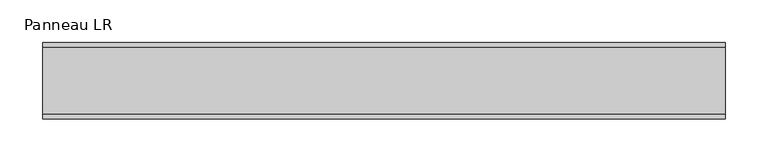
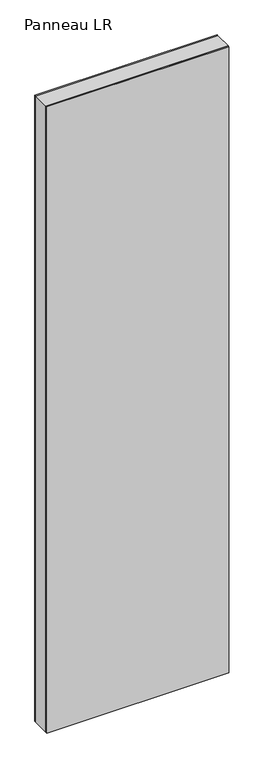
"""IFC4 building model written with IfcOpenShell, lengths in millimetres: plate geometry, Panneau LR."""

from ifc_helpers import new_model, si_unit, frame, origin, origin_with_axes, place, context, project, spatial, polyline, outline, extrude, source, transform, mapped, element, save


def panneau_lr_c6e80989(model_context):
    return source(origin(), model_context, "Body", "SweptSolid", [
        extrude(outline(polyline([(2910.0, 400.3847577), (2910.0, -400.3847577), (0.0, -400.3847577), (0.0, 400.3847577), (2910.0, 400.3847577)]), holes=[polyline([(30.0, -360.3847577), (2884.0, -360.3847577), (2884.0, 360.3847577), (30.0, 360.3847577), (30.0, -360.3847577)])]), frame((0.0, -39.0, 0.0), z_axis=(0.0, 1.0, 0.0), x_axis=(0.0, 0.0, 1.0)), (0.0, 0.0, 1.0), 78.0),
        extrude(outline(polyline([(400.3847577, 39.0), (-400.3847577, 39.0), (-400.3847577, 45.0), (400.3847577, 45.0), (400.3847577, 39.0)])), origin_with_axes(), (0.0, 0.0, 1.0), 2910.0),
        extrude(outline(polyline([(-400.3847577, -45.0), (-400.3847577, -39.0), (400.3847577, -39.0), (400.3847577, -45.0), (-400.3847577, -45.0)])), origin_with_axes(), (0.0, 0.0, 1.0), 2910.0),
    ])


if __name__ == "__main__":
    model = new_model("IFC4")
    model_context = context("Model", 3, world=origin())
    ifc_project = project(units=[si_unit("LENGTHUNIT", "METRE", prefix="MILLI")], contexts=[model_context])
    site = spatial("IfcSite", under=ifc_project)
    building = spatial("IfcBuilding", under=site)
    placement = place(None, origin())
    panneau_lr_shape = panneau_lr_c6e80989(model_context)
    element("IfcPlate", 1, ObjectType="Panneau LR", at=placement, inside=building, context=model_context, shape_type="MappedRepresentation", body=[
        mapped(panneau_lr_shape, transform((0.0, 0.0, 0.0), x_axis=(1.0, 0.0, 0.0), y_axis=(0.0, 1.0, 0.0), z_axis=(0.0, 0.0, 1.0))),
    ])
    save(model, "model.ifc")
